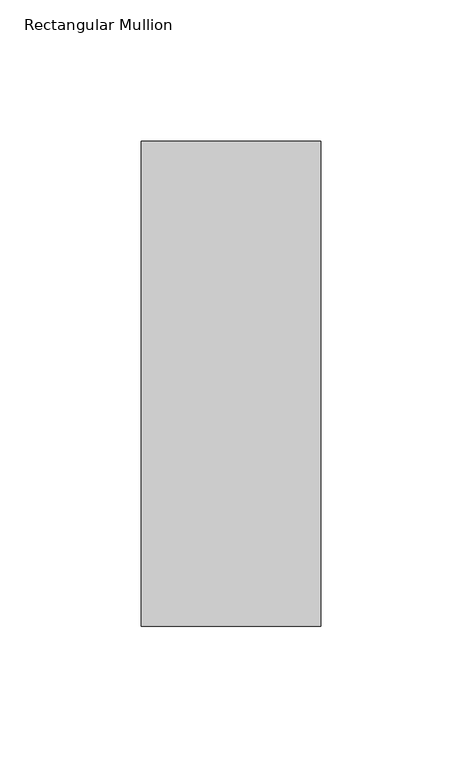
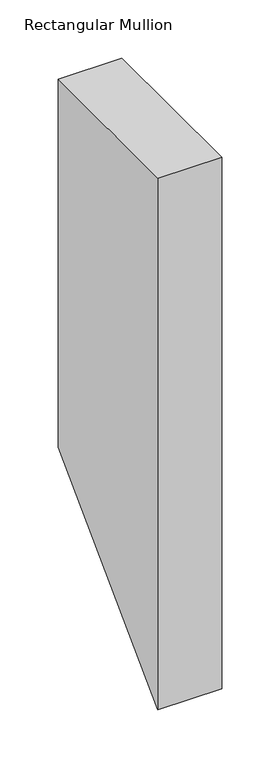
"""IFC4 building model written with IfcOpenShell, lengths in millimetres: member geometry, Rectangular Mullion."""

from ifc_helpers import new_model, si_unit, frame, origin, place, context, project, spatial, polyline, outline, extrude, source, transform, mapped, element, save


def rectangular_mullion_6d47d792(model_context):
    return source(origin(), model_context, "Body", "SweptSolid", [
        extrude(outline(polyline([(50.8091913, 0.0), (222.5381312, 0.0), (222.5381312, -387.0618688), (50.8091913, -558.7908087), (50.8091913, 0.0)])), frame((-63.4999996, 0.0, 0.0), z_axis=(1.0, 0.0, 0.0), x_axis=(0.0, 1.0, 0.0)), (0.0, 0.0, 1.0), 63.4999995),
    ])


if __name__ == "__main__":
    model = new_model("IFC4")
    model_context = context("Model", 3, world=origin())
    ifc_project = project(units=[si_unit("LENGTHUNIT", "METRE", prefix="MILLI")], contexts=[model_context])
    site = spatial("IfcSite", under=ifc_project)
    building = spatial("IfcBuilding", under=site)
    placement = place(None, origin())
    rectangular_mullion_shape = rectangular_mullion_6d47d792(model_context)
    element("IfcMember", 1, ObjectType="Rectangular Mullion", at=placement, inside=building, context=model_context, shape_type="MappedRepresentation", body=[
        mapped(rectangular_mullion_shape, transform((0.0, 0.0, 0.0), x_axis=(1.0, 0.0, 0.0), y_axis=(0.0, 1.0, 0.0), z_axis=(0.0, 0.0, 1.0))),
    ])
    save(model, "model.ifc")
